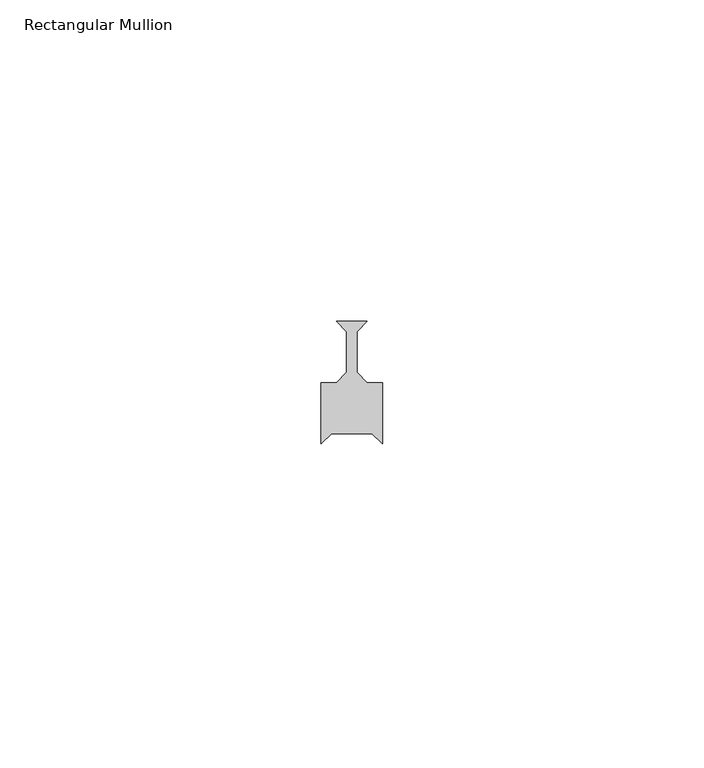
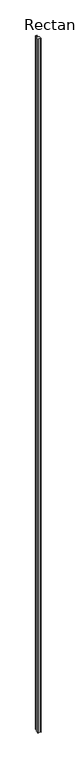
"""IFC4 building model written with IfcOpenShell, lengths in millimetres: member geometry, Rectangular Mullion."""

from ifc_helpers import new_model, si_unit, frame, origin, place, context, project, spatial, polyline, outline, extrude, source, transform, mapped, element, save


def rectangular_mullion_6d27e9b7(model_context):
    return source(origin(), model_context, "Body", "SweptSolid", [
        extrude(outline(polyline([(-2.38125, 34.925), (2.38125, 34.925), (0.79375, 33.3375), (0.79375, 26.9875), (2.38125, 25.4), (4.7625, 25.4), (4.7625, 15.875), (3.175, 17.4625), (-3.175, 17.4625), (-4.7625, 15.875), (-4.7625, 25.4), (-2.38125, 25.4), (-0.79375, 26.9875), (-0.79375, 33.3375), (-2.38125, 34.925)])), frame((0.0, 0.0, -2359.025), z_axis=(0.0, 0.0, 1.0), x_axis=(1.0, 0.0, 0.0)), (0.0, 0.0, 1.0), 2359.025),
    ])


if __name__ == "__main__":
    model = new_model("IFC4")
    model_context = context("Model", 3, world=origin())
    ifc_project = project(units=[si_unit("LENGTHUNIT", "METRE", prefix="MILLI")], contexts=[model_context])
    site = spatial("IfcSite", under=ifc_project)
    building = spatial("IfcBuilding", under=site)
    placement = place(None, origin())
    rectangular_mullion_shape = rectangular_mullion_6d27e9b7(model_context)
    element("IfcMember", 1, ObjectType="Rectangular Mullion", at=placement, inside=building, context=model_context, shape_type="MappedRepresentation", body=[
        mapped(rectangular_mullion_shape, transform((0.0, 0.0, 0.0), x_axis=(1.0, 0.0, 0.0), y_axis=(0.0, 1.0, 0.0), z_axis=(0.0, 0.0, 1.0))),
    ])
    save(model, "model.ifc")
